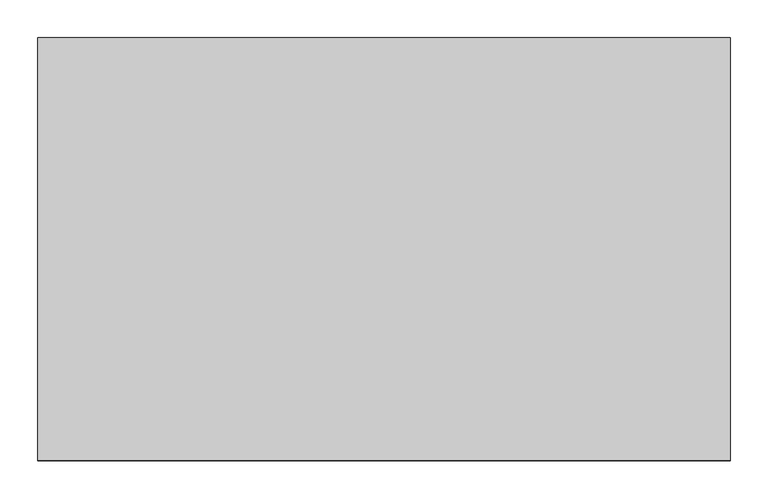
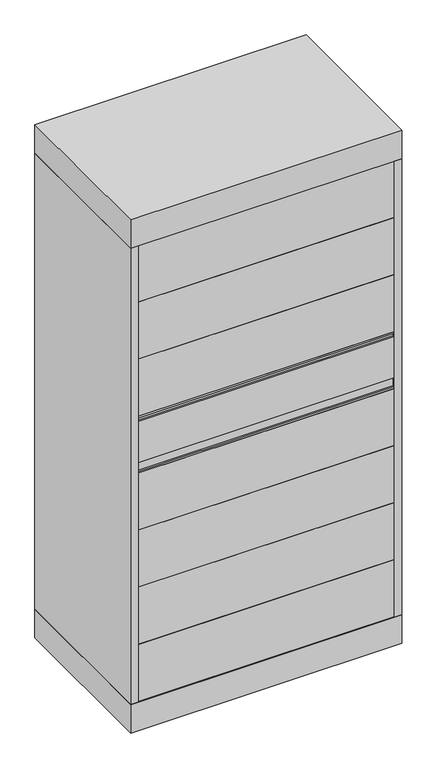
"""IFC4 building model written with IfcOpenShell, lengths in millimetres: proxy geometry."""

from ifc_helpers import new_model, si_unit, frame, origin, origin_with_axes, place, context, project, spatial, polyline, outline, extrude, source, transform, mapped, element, save


def generic_models_0f8561f0(model_context):
    return source(origin(), model_context, "Body", "SweptSolid", [
        extrude(outline(polyline([(889.0, -546.1), (889.0, -555.625), (25.4, -555.625), (25.4, -546.1), (889.0, -546.1)])), frame((0.0, 0.0, 101.6), z_axis=(0.0, 0.0, 1.0), x_axis=(1.0, 0.0, 0.0)), (0.0, 0.0, 1.0), 203.2),
        extrude(outline(polyline([(889.0, -546.1), (889.0, -555.625), (25.4, -555.625), (25.4, -546.1), (889.0, -546.1)])), frame((0.0, 0.0, 304.8), z_axis=(0.0, 0.0, 1.0), x_axis=(1.0, 0.0, 0.0)), (0.0, 0.0, 1.0), 203.2),
        extrude(outline(polyline([(889.0, -546.1), (889.0, -555.625), (25.4, -555.625), (25.4, -546.1), (889.0, -546.1)])), frame((0.0, 0.0, 508.0), z_axis=(0.0, 0.0, 1.0), x_axis=(1.0, 0.0, 0.0)), (0.0, 0.0, 1.0), 203.2),
        extrude(outline(polyline([(889.0, -546.1), (889.0, -555.625), (25.4, -555.625), (25.4, -546.1), (889.0, -546.1)])), frame((0.0, 0.0, 711.2), z_axis=(0.0, 0.0, 1.0), x_axis=(1.0, 0.0, 0.0)), (0.0, 0.0, 1.0), 203.2),
        extrude(outline(polyline([(889.0, -546.1), (889.0, -555.625), (25.4, -555.625), (25.4, -546.1), (889.0, -546.1)])), frame((0.0, 0.0, 1117.6), z_axis=(0.0, 0.0, 1.0), x_axis=(1.0, 0.0, 0.0)), (0.0, 0.0, 1.0), 203.2),
        extrude(outline(polyline([(889.0, -546.1), (889.0, -555.625), (25.4, -555.625), (25.4, -546.1), (889.0, -546.1)])), frame((0.0, 0.0, 1320.8), z_axis=(0.0, 0.0, 1.0), x_axis=(1.0, 0.0, 0.0)), (0.0, 0.0, 1.0), 203.2),
        extrude(outline(polyline([(-546.1, 914.4), (-555.625, 914.4), (-555.625, 920.75), (-549.275, 920.75), (-549.275, 952.5), (-555.625, 952.5), (-555.625, 1098.55), (-549.275, 1098.55), (-549.275, 1111.25), (-555.625, 1111.25), (-555.625, 1117.6), (-546.1, 1117.6), (-546.1, 914.4)])), frame((25.4, 0.0, 0.0), z_axis=(1.0, 0.0, 0.0), x_axis=(0.0, 1.0, 0.0)), (0.0, 0.0, 1.0), 863.6),
        extrude(outline(polyline([(889.0, -546.1), (889.0, -555.625), (25.4, -555.625), (25.4, -546.1), (889.0, -546.1)])), frame((0.0, 0.0, 1524.0), z_axis=(0.0, 0.0, 1.0), x_axis=(1.0, 0.0, 0.0)), (0.0, 0.0, 1.0), 203.2),
        extrude(outline(polyline([(914.4, -558.8), (0.0, -558.8), (0.0, 0.0), (914.4, 0.0), (914.4, -558.8)])), frame((0.0, 0.0, 1727.2), z_axis=(0.0, 0.0, 1.0), x_axis=(1.0, 0.0, 0.0)), (0.0, 0.0, 1.0), 101.6),
        extrude(outline(polyline([(914.4, -558.8), (0.0, -558.8), (0.0, 0.0), (914.4, 0.0), (914.4, -558.8)])), origin_with_axes(), (0.0, 0.0, 1.0), 101.6),
        extrude(outline(polyline([(0.0, -558.8), (0.0, 0.0), (50.8, 0.0), (50.8, -546.1), (25.4, -546.1), (25.4, -558.8), (0.0, -558.8)])), frame((0.0, 0.0, 101.6), z_axis=(0.0, 0.0, 1.0), x_axis=(1.0, 0.0, 0.0)), (0.0, 0.0, 1.0), 1625.6),
        extrude(outline(polyline([(863.6, -546.1), (863.6, 0.0), (914.4, 0.0), (914.4, -558.8), (889.0, -558.8), (889.0, -546.1), (863.6, -546.1)])), frame((0.0, 0.0, 101.6), z_axis=(0.0, 0.0, 1.0), x_axis=(1.0, 0.0, 0.0)), (0.0, 0.0, 1.0), 1625.6),
    ])


if __name__ == "__main__":
    model = new_model("IFC4")
    model_context = context("Model", 3, world=origin())
    ifc_project = project(units=[si_unit("LENGTHUNIT", "METRE", prefix="MILLI")], contexts=[model_context])
    site = spatial("IfcSite", under=ifc_project)
    building = spatial("IfcBuilding", under=site)
    placement = place(None, origin())
    generic_models_shape = generic_models_0f8561f0(model_context)
    element("IfcBuildingElementProxy", 1, Name="Generic Models", at=placement, inside=building, context=model_context, shape_type="MappedRepresentation", body=[
        mapped(generic_models_shape, transform((0.0, 0.0, 0.0), x_axis=(1.0, 0.0, 0.0), y_axis=(0.0, 1.0, 0.0), z_axis=(0.0, 0.0, 1.0))),
    ])
    save(model, "model.ifc")
